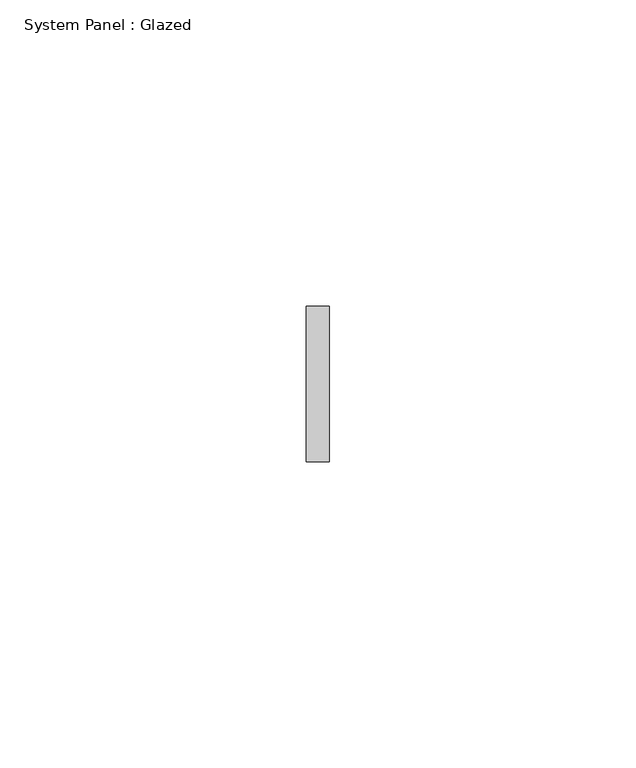
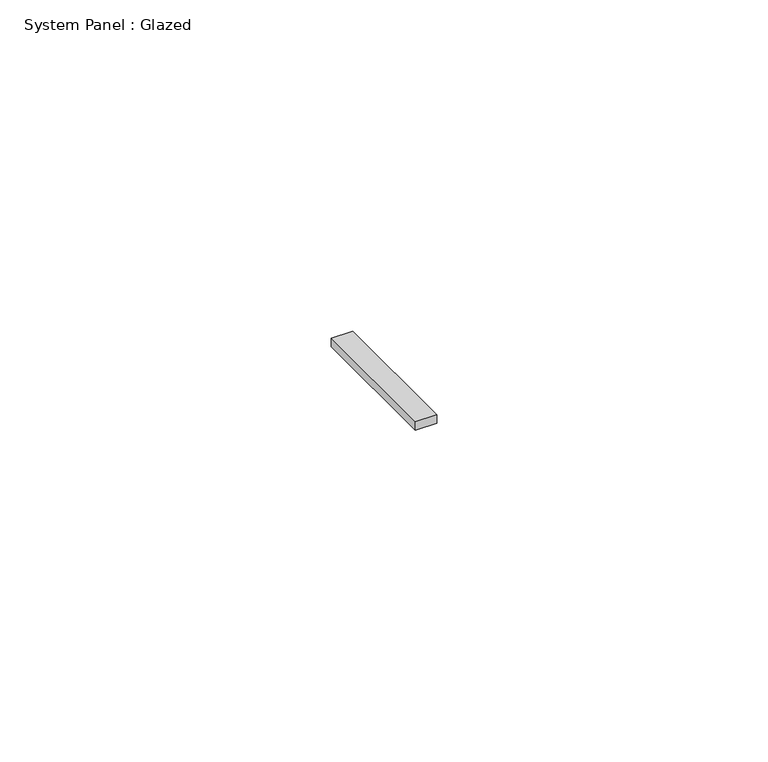
"""IFC4 building model written with IfcOpenShell, lengths in millimetres: plate geometry, System Panel : Glazed."""

from ifc_helpers import new_model, si_unit, origin, origin_with_axes, place, context, project, spatial, polyline, outline, extrude, source, transform, mapped, element, save


def system_panel_glazed_f331aedd(model_context):
    return source(origin(), model_context, "Body", "SweptSolid", [
        extrude(outline(polyline([(1.8851563, 19.05), (-1.8851563, 19.05), (-1.8851563, 44.45), (1.8851563, 44.45), (1.8851563, 19.05)])), origin_with_axes(), (0.0, 0.0, 1.0), 1.590675),
    ])


if __name__ == "__main__":
    model = new_model("IFC4")
    model_context = context("Model", 3, world=origin())
    ifc_project = project(units=[si_unit("LENGTHUNIT", "METRE", prefix="MILLI")], contexts=[model_context])
    site = spatial("IfcSite", under=ifc_project)
    building = spatial("IfcBuilding", under=site)
    placement = place(None, origin())
    system_panel_glazed_shape = system_panel_glazed_f331aedd(model_context)
    element("IfcPlate", 1, ObjectType="System Panel : Glazed", at=placement, inside=building, context=model_context, shape_type="MappedRepresentation", body=[
        mapped(system_panel_glazed_shape, transform((0.0, 0.0, 0.0), x_axis=(1.0, 0.0, 0.0), y_axis=(0.0, 1.0, 0.0), z_axis=(0.0, 0.0, 1.0))),
    ])
    save(model, "model.ifc")
